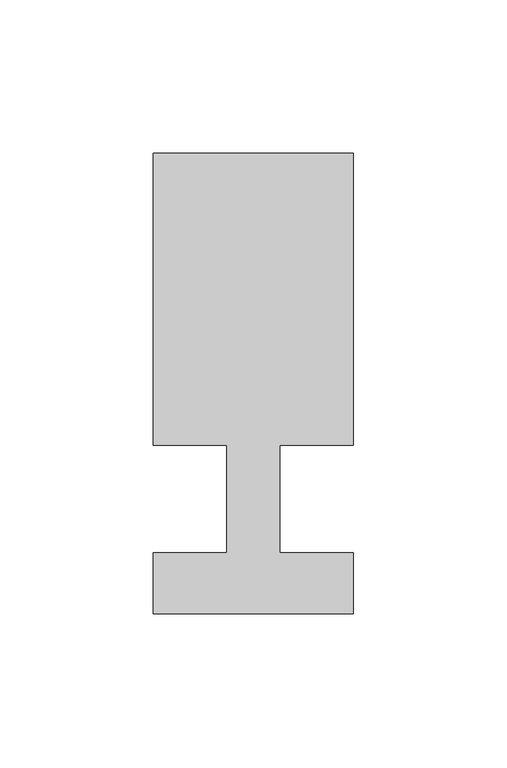
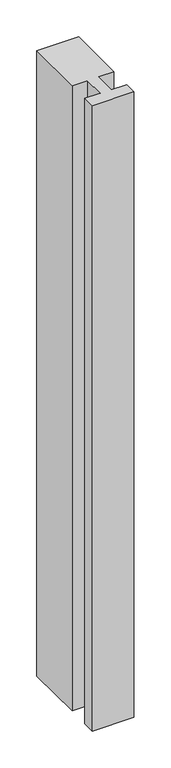
"""IFC4 building model written with IfcOpenShell, lengths in millimetres: member geometry."""

import ifcopenshell
import ifcopenshell.guid

model = None  # the IFC model being written
_history = None  # IfcOwnerHistory: only IFC2X3 demands one
_inside = {}  # id of a spatial element -> (the spatial element, [elements in it])
_under = {}  # id of a project, library or spatial element -> (it, [spatial elements below it])
_declared = {}  # id of a project -> (the project, [libraries it declares])
_typed = {}  # id of a type object -> (the type object, [elements of that type])
_made_of = {}  # id of a material, layer set ... -> (it, [elements and type objects made of it])


def new_model(schema):
    """Start an empty IFC model of exactly this schema.

    Asked for "IFC4X3", IfcOpenShell would pick the latest addendum, in which some entities
    have other attributes; the version numbers below select the first issue.
    IFC2X3 requires an IfcOwnerHistory on every rooted entity: one is made here for all.
    """
    global model, _history
    if schema == "IFC4X3":
        model = ifcopenshell.file(schema_version=(4, 3, 0, 0))
    else:
        model = ifcopenshell.file(schema=schema)
    _inside.clear()
    _under.clear()
    _declared.clear()
    _typed.clear()
    _made_of.clear()
    _history = None
    if model.schema == "IFC2X3":
        org = make("IfcOrganization", Name="unknown")
        user = make(
            "IfcPersonAndOrganization",
            ThePerson=make("IfcPerson", FamilyName="unknown"),
            TheOrganization=org,
        )
        app = make(
            "IfcApplication",
            ApplicationDeveloper=org,
            Version="unknown",
            ApplicationFullName="unknown",
            ApplicationIdentifier="unknown",
        )
        _history = make(
            "IfcOwnerHistory",
            OwningUser=user,
            OwningApplication=app,
            ChangeAction="ADDED",
            CreationDate=0,
        )
    return model


def make(cls, **values):
    """One entity of the class cls with the attributes given. An attribute that is None is left unset."""
    return model.create_entity(
        cls, **{name: value for name, value in values.items() if value is not None}
    )


def rooted(cls, **values):
    """An entity with a GlobalId (a new one), such as an element, a storey or a relation."""
    return make(cls, GlobalId=ifcopenshell.guid.new(), OwnerHistory=_history, **values)


def si_unit(unit_type, name, prefix=None):
    """IfcSIUnit, for example si_unit("LENGTHUNIT", "METRE", prefix="MILLI")."""
    return make("IfcSIUnit", UnitType=unit_type, Prefix=prefix, Name=name)


def assignment(units):
    """IfcUnitAssignment: the units of a project."""
    return None if units is None else make("IfcUnitAssignment", Units=units)


def point(xyz):
    """IfcCartesianPoint."""
    return None if xyz is None else make("IfcCartesianPoint", Coordinates=xyz)


def direction(xyz):
    """IfcDirection."""
    return None if xyz is None else make("IfcDirection", DirectionRatios=xyz)


def frame(location, z_axis=None, x_axis=None):
    """IfcAxis2Placement3D, a coordinate frame: its origin and axes. An axis left out is left unset."""
    return make(
        "IfcAxis2Placement3D",
        Location=point(location),
        Axis=direction(z_axis),
        RefDirection=direction(x_axis),
    )


def origin():
    """The frame at (0, 0, 0) with its axes left unset."""
    return frame((0.0, 0.0, 0.0))


def place(relative_to, where):
    """IfcLocalPlacement: puts the frame where relative to a parent placement (None: the world)."""
    return make(
        "IfcLocalPlacement", PlacementRelTo=relative_to, RelativePlacement=where
    )


def context(
    kind, dimensions, precision=None, world=None, true_north=None, identifier=None
):
    """IfcGeometricRepresentationContext, for example the 3D "Model" context."""
    return make(
        "IfcGeometricRepresentationContext",
        ContextIdentifier=identifier,
        ContextType=kind,
        CoordinateSpaceDimension=dimensions,
        Precision=precision,
        WorldCoordinateSystem=world,
        TrueNorth=true_north,
    )


def project(units=None, contexts=None):
    """IfcProject with its units and contexts."""
    return rooted(
        "IfcProject",
        Name="project",
        RepresentationContexts=contexts,
        UnitsInContext=assignment(units),
    )


def spatial(cls, under=None, at=None, **own):
    """A site, building, storey or space (cls), placed at a placement, below another one or the project."""
    s = rooted(cls, ObjectPlacement=at, **own)
    if under is not None:
        _under.setdefault(under.id(), (under, []))[1].append(s)
    return s


def polyline(points):
    """IfcPolyline through the points."""
    return make("IfcPolyline", Points=[point(p) for p in points])


def outline(outer, holes=None, kind="AREA"):
    """IfcArbitraryClosedProfileDef: a profile drawn as a closed curve; with holes, ...WithVoids."""
    if holes is None:
        return make("IfcArbitraryClosedProfileDef", ProfileType=kind, OuterCurve=outer)
    return make(
        "IfcArbitraryProfileDefWithVoids",
        ProfileType=kind,
        OuterCurve=outer,
        InnerCurves=holes,
    )


def extrude(swept, where, along, depth):
    """IfcExtrudedAreaSolid: the profile swept, set in the frame where, extruded along a direction by depth."""
    return make(
        "IfcExtrudedAreaSolid",
        SweptArea=swept,
        Position=where,
        ExtrudedDirection=direction(along),
        Depth=depth,
    )


def shape(context_of_items, identifier, shape_type, items):
    """IfcShapeRepresentation: the items that make up one representation, for example the "Body"."""
    return make(
        "IfcShapeRepresentation",
        ContextOfItems=context_of_items,
        RepresentationIdentifier=identifier,
        RepresentationType=shape_type,
        Items=items,
    )


def source(mapping_origin, context_of_items, identifier, shape_type, items):
    """IfcRepresentationMap: a shape defined once, which mapped items show again and again."""
    return make(
        "IfcRepresentationMap",
        MappingOrigin=mapping_origin,
        MappedRepresentation=shape(context_of_items, identifier, shape_type, items),
    )


def transform(
    local_origin,
    x_axis=None,
    y_axis=None,
    z_axis=None,
    scale=None,
    scale2=None,
    scale3=None,
    uniform=True,
):
    """IfcCartesianTransformationOperator3D, or its non-uniform kind. x_axis, y_axis, z_axis: its Axis1, 2, 3."""
    if uniform:
        return make(
            "IfcCartesianTransformationOperator3D",
            Axis1=direction(x_axis),
            Axis2=direction(y_axis),
            LocalOrigin=point(local_origin),
            Scale=scale,
            Axis3=direction(z_axis),
        )
    return make(
        "IfcCartesianTransformationOperator3DnonUniform",
        Axis1=direction(x_axis),
        Axis2=direction(y_axis),
        LocalOrigin=point(local_origin),
        Scale=scale,
        Axis3=direction(z_axis),
        Scale2=scale2,
        Scale3=scale3,
    )


def mapped(mapping_source, mapping_target):
    """IfcMappedItem: shows the shape of a source again, moved by a transform."""
    return make(
        "IfcMappedItem", MappingSource=mapping_source, MappingTarget=mapping_target
    )


def made_of(thing, what):
    """Note that an element or type object is made of a material, layer set ...; save() writes the relation."""
    if what is not None:
        _made_of.setdefault(what.id(), (what, []))[1].append(thing)
    return thing


def element(
    cls,
    number,
    at=None,
    inside=None,
    cuts=None,
    type_object=None,
    material=None,
    context=None,
    identifier="Body",
    shape_type=None,
    held_by="IfcProductDefinitionShape",
    body=None,
    shapes=None,
    **own,
):
    """One element of the class cls, such as IfcWall. Its Tag is "e" and its number.

    at: its placement. inside: the storey or other place that contains it. cuts: it is an
    opening in that element (IfcRelVoidsElement). A single representation is given by context,
    identifier, shape_type and body (its items); several are given by shapes. held_by: the class
    of the entity that holds the representations. save() writes the other relations.
    """
    e = rooted(cls, Tag="e%d" % number, ObjectPlacement=at, **own)
    if body is not None:
        shapes = [shape(context, identifier, shape_type, body)]
    if shapes is not None:
        e.Representation = make(held_by, Representations=shapes)
    if inside is not None:
        _inside.setdefault(inside.id(), (inside, []))[1].append(e)
    if cuts is not None:
        rooted(
            "IfcRelVoidsElement", RelatingBuildingElement=cuts, RelatedOpeningElement=e
        )
    if type_object is not None:
        _typed.setdefault(type_object.id(), (type_object, []))[1].append(e)
    return made_of(e, material)


def aggregate(whole, parts):
    """IfcRelAggregates: a whole, such as a stair, and the parts it consists of."""
    return rooted("IfcRelAggregates", RelatingObject=whole, RelatedObjects=parts)


def save(model, path):
    """Write the relations noted so far, then the file.

    IfcRelAggregates (storeys below a building ...), IfcRelContainedInSpatialStructure (elements
    in a storey), IfcRelDefinesByType, IfcRelAssociatesMaterial and IfcRelDeclares: one each for
    every whole, place, type object, material and project.
    """
    for whole, parts in _under.values():
        aggregate(whole, parts)
    for where, things in _inside.values():
        rooted(
            "IfcRelContainedInSpatialStructure",
            RelatedElements=things,
            RelatingStructure=where,
        )
    for kind, things in _typed.values():
        rooted("IfcRelDefinesByType", RelatedObjects=things, RelatingType=kind)
    for what, things in _made_of.values():
        rooted("IfcRelAssociatesMaterial", RelatedObjects=things, RelatingMaterial=what)
    for by, libraries in _declared.values():
        rooted("IfcRelDeclares", RelatingContext=by, RelatedDefinitions=libraries)
    model.write(path)


def member_a1b2de0d(model_context):
    return source(origin(), model_context, "Body", "SweptSolid", [
        extrude(outline(polyline([(-65.0, -37.0), (-65.0, -17.0), (-41.1875, -17.0), (-41.1875, 18.0), (-65.0, 18.0), (-65.0, 113.0), (0.0, 113.0), (0.0, 18.0), (-23.8125, 18.0), (-23.8125, -17.0), (0.0, -17.0), (0.0, -37.0), (-65.0, -37.0)])), frame((0.0, 0.0, -1033.3839286), z_axis=(0.0, 0.0, 1.0), x_axis=(1.0, 0.0, 0.0)), (0.0, 0.0, 1.0), 1033.3839286),
    ])


if __name__ == "__main__":
    model = new_model("IFC4")
    model_context = context("Model", 3, world=origin())
    ifc_project = project(units=[si_unit("LENGTHUNIT", "METRE", prefix="MILLI")], contexts=[model_context])
    site = spatial("IfcSite", under=ifc_project)
    building = spatial("IfcBuilding", under=site)
    placement = place(None, origin())
    member_shape = member_a1b2de0d(model_context)
    element("IfcMember", 1, at=placement, inside=building, context=model_context, shape_type="MappedRepresentation", body=[
        mapped(member_shape, transform((0.0, 0.0, 0.0), x_axis=(1.0, 0.0, 0.0), y_axis=(0.0, 1.0, 0.0), z_axis=(0.0, 0.0, 1.0))),
    ])
    save(model, "model.ifc")
